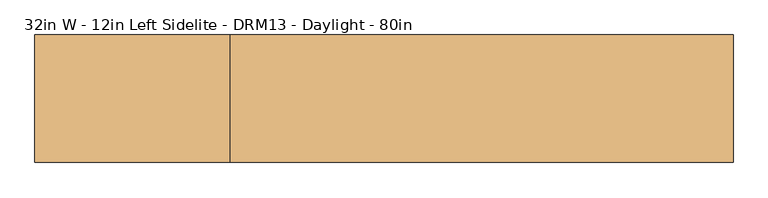
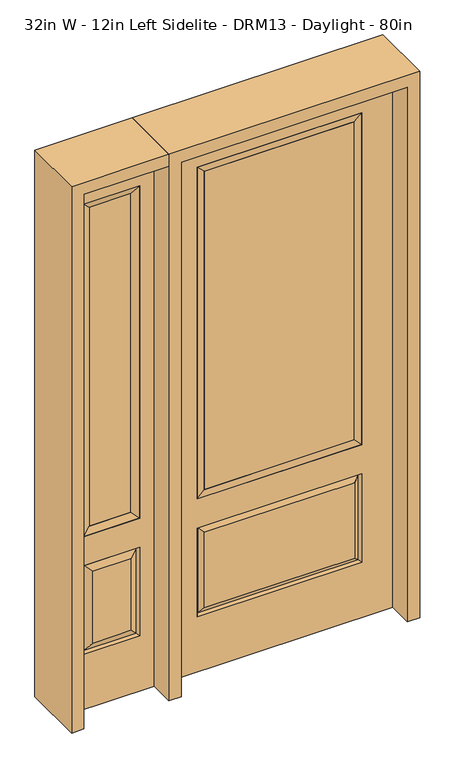
"""IFC4 building model written with IfcOpenShell, lengths in millimetres: door geometry, 32in W - 12in Left Sidelite - DRM13 - Daylight - 80in."""

import ifcopenshell
import ifcopenshell.guid

model = None  # the IFC model being written
_history = None  # IfcOwnerHistory: only IFC2X3 demands one
_inside = {}  # id of a spatial element -> (the spatial element, [elements in it])
_under = {}  # id of a project, library or spatial element -> (it, [spatial elements below it])
_declared = {}  # id of a project -> (the project, [libraries it declares])
_typed = {}  # id of a type object -> (the type object, [elements of that type])
_made_of = {}  # id of a material, layer set ... -> (it, [elements and type objects made of it])


def new_model(schema):
    """Start an empty IFC model of exactly this schema.

    Asked for "IFC4X3", IfcOpenShell would pick the latest addendum, in which some entities
    have other attributes; the version numbers below select the first issue.
    IFC2X3 requires an IfcOwnerHistory on every rooted entity: one is made here for all.
    """
    global model, _history
    if schema == "IFC4X3":
        model = ifcopenshell.file(schema_version=(4, 3, 0, 0))
    else:
        model = ifcopenshell.file(schema=schema)
    _inside.clear()
    _under.clear()
    _declared.clear()
    _typed.clear()
    _made_of.clear()
    _history = None
    if model.schema == "IFC2X3":
        org = make("IfcOrganization", Name="unknown")
        user = make(
            "IfcPersonAndOrganization",
            ThePerson=make("IfcPerson", FamilyName="unknown"),
            TheOrganization=org,
        )
        app = make(
            "IfcApplication",
            ApplicationDeveloper=org,
            Version="unknown",
            ApplicationFullName="unknown",
            ApplicationIdentifier="unknown",
        )
        _history = make(
            "IfcOwnerHistory",
            OwningUser=user,
            OwningApplication=app,
            ChangeAction="ADDED",
            CreationDate=0,
        )
    return model


def make(cls, **values):
    """One entity of the class cls with the attributes given. An attribute that is None is left unset."""
    return model.create_entity(
        cls, **{name: value for name, value in values.items() if value is not None}
    )


def rooted(cls, **values):
    """An entity with a GlobalId (a new one), such as an element, a storey or a relation."""
    return make(cls, GlobalId=ifcopenshell.guid.new(), OwnerHistory=_history, **values)


def si_unit(unit_type, name, prefix=None):
    """IfcSIUnit, for example si_unit("LENGTHUNIT", "METRE", prefix="MILLI")."""
    return make("IfcSIUnit", UnitType=unit_type, Prefix=prefix, Name=name)


def assignment(units):
    """IfcUnitAssignment: the units of a project."""
    return None if units is None else make("IfcUnitAssignment", Units=units)


def point(xyz):
    """IfcCartesianPoint."""
    return None if xyz is None else make("IfcCartesianPoint", Coordinates=xyz)


def direction(xyz):
    """IfcDirection."""
    return None if xyz is None else make("IfcDirection", DirectionRatios=xyz)


def frame(location, z_axis=None, x_axis=None):
    """IfcAxis2Placement3D, a coordinate frame: its origin and axes. An axis left out is left unset."""
    return make(
        "IfcAxis2Placement3D",
        Location=point(location),
        Axis=direction(z_axis),
        RefDirection=direction(x_axis),
    )


def origin():
    """The frame at (0, 0, 0) with its axes left unset."""
    return frame((0.0, 0.0, 0.0))


def place(relative_to, where):
    """IfcLocalPlacement: puts the frame where relative to a parent placement (None: the world)."""
    return make(
        "IfcLocalPlacement", PlacementRelTo=relative_to, RelativePlacement=where
    )


def context(
    kind, dimensions, precision=None, world=None, true_north=None, identifier=None
):
    """IfcGeometricRepresentationContext, for example the 3D "Model" context."""
    return make(
        "IfcGeometricRepresentationContext",
        ContextIdentifier=identifier,
        ContextType=kind,
        CoordinateSpaceDimension=dimensions,
        Precision=precision,
        WorldCoordinateSystem=world,
        TrueNorth=true_north,
    )


def project(units=None, contexts=None):
    """IfcProject with its units and contexts."""
    return rooted(
        "IfcProject",
        Name="project",
        RepresentationContexts=contexts,
        UnitsInContext=assignment(units),
    )


def spatial(cls, under=None, at=None, **own):
    """A site, building, storey or space (cls), placed at a placement, below another one or the project."""
    s = rooted(cls, ObjectPlacement=at, **own)
    if under is not None:
        _under.setdefault(under.id(), (under, []))[1].append(s)
    return s


def polyline(points):
    """IfcPolyline through the points."""
    return make("IfcPolyline", Points=[point(p) for p in points])


def outline(outer, holes=None, kind="AREA"):
    """IfcArbitraryClosedProfileDef: a profile drawn as a closed curve; with holes, ...WithVoids."""
    if holes is None:
        return make("IfcArbitraryClosedProfileDef", ProfileType=kind, OuterCurve=outer)
    return make(
        "IfcArbitraryProfileDefWithVoids",
        ProfileType=kind,
        OuterCurve=outer,
        InnerCurves=holes,
    )


def extrude(swept, where, along, depth):
    """IfcExtrudedAreaSolid: the profile swept, set in the frame where, extruded along a direction by depth."""
    return make(
        "IfcExtrudedAreaSolid",
        SweptArea=swept,
        Position=where,
        ExtrudedDirection=direction(along),
        Depth=depth,
    )


def faces_of(points, faces, orient=None, outer=None):
    """IfcFace entities. A face is a list of loops; a loop is a list of indices into points, from 0.

    orient and outer hold one flag for each loop. By default every Orientation is true, the
    first loop of a face is its IfcFaceOuterBound and the others are IfcFaceBound.
    """
    made = []
    for i, loops in enumerate(faces):
        bounds = []
        for j, loop in enumerate(loops):
            is_outer = j == 0 if outer is None else outer[i][j]
            bounds.append(
                make(
                    "IfcFaceOuterBound" if is_outer else "IfcFaceBound",
                    Bound=make("IfcPolyLoop", Polygon=[points[k] for k in loop]),
                    Orientation=True if orient is None else orient[i][j],
                )
            )
        made.append(make("IfcFace", Bounds=bounds))
    return made


def faceted_brep(points, faces, orient=None, outer=None, voids=None):
    """IfcFacetedBrep: a solid bounded by flat faces; with voids (closed shells), ...WithVoids."""
    shared = [point(p) for p in points]
    hull = make("IfcClosedShell", CfsFaces=faces_of(shared, faces, orient, outer))
    if voids is None:
        return make("IfcFacetedBrep", Outer=hull)
    return make(
        "IfcFacetedBrepWithVoids",
        Outer=hull,
        Voids=[
            make(cls, CfsFaces=faces_of(shared, fs, o, b)) for cls, fs, o, b in voids
        ],
    )


def shape(context_of_items, identifier, shape_type, items):
    """IfcShapeRepresentation: the items that make up one representation, for example the "Body"."""
    return make(
        "IfcShapeRepresentation",
        ContextOfItems=context_of_items,
        RepresentationIdentifier=identifier,
        RepresentationType=shape_type,
        Items=items,
    )


def source(mapping_origin, context_of_items, identifier, shape_type, items):
    """IfcRepresentationMap: a shape defined once, which mapped items show again and again."""
    return make(
        "IfcRepresentationMap",
        MappingOrigin=mapping_origin,
        MappedRepresentation=shape(context_of_items, identifier, shape_type, items),
    )


def transform(
    local_origin,
    x_axis=None,
    y_axis=None,
    z_axis=None,
    scale=None,
    scale2=None,
    scale3=None,
    uniform=True,
):
    """IfcCartesianTransformationOperator3D, or its non-uniform kind. x_axis, y_axis, z_axis: its Axis1, 2, 3."""
    if uniform:
        return make(
            "IfcCartesianTransformationOperator3D",
            Axis1=direction(x_axis),
            Axis2=direction(y_axis),
            LocalOrigin=point(local_origin),
            Scale=scale,
            Axis3=direction(z_axis),
        )
    return make(
        "IfcCartesianTransformationOperator3DnonUniform",
        Axis1=direction(x_axis),
        Axis2=direction(y_axis),
        LocalOrigin=point(local_origin),
        Scale=scale,
        Axis3=direction(z_axis),
        Scale2=scale2,
        Scale3=scale3,
    )


def mapped(mapping_source, mapping_target):
    """IfcMappedItem: shows the shape of a source again, moved by a transform."""
    return make(
        "IfcMappedItem", MappingSource=mapping_source, MappingTarget=mapping_target
    )


def made_of(thing, what):
    """Note that an element or type object is made of a material, layer set ...; save() writes the relation."""
    if what is not None:
        _made_of.setdefault(what.id(), (what, []))[1].append(thing)
    return thing


def element(
    cls,
    number,
    at=None,
    inside=None,
    cuts=None,
    type_object=None,
    material=None,
    context=None,
    identifier="Body",
    shape_type=None,
    held_by="IfcProductDefinitionShape",
    body=None,
    shapes=None,
    **own,
):
    """One element of the class cls, such as IfcWall. Its Tag is "e" and its number.

    at: its placement. inside: the storey or other place that contains it. cuts: it is an
    opening in that element (IfcRelVoidsElement). A single representation is given by context,
    identifier, shape_type and body (its items); several are given by shapes. held_by: the class
    of the entity that holds the representations. save() writes the other relations.
    """
    e = rooted(cls, Tag="e%d" % number, ObjectPlacement=at, **own)
    if body is not None:
        shapes = [shape(context, identifier, shape_type, body)]
    if shapes is not None:
        e.Representation = make(held_by, Representations=shapes)
    if inside is not None:
        _inside.setdefault(inside.id(), (inside, []))[1].append(e)
    if cuts is not None:
        rooted(
            "IfcRelVoidsElement", RelatingBuildingElement=cuts, RelatedOpeningElement=e
        )
    if type_object is not None:
        _typed.setdefault(type_object.id(), (type_object, []))[1].append(e)
    return made_of(e, material)


def aggregate(whole, parts):
    """IfcRelAggregates: a whole, such as a stair, and the parts it consists of."""
    return rooted("IfcRelAggregates", RelatingObject=whole, RelatedObjects=parts)


def save(model, path):
    """Write the relations noted so far, then the file.

    IfcRelAggregates (storeys below a building ...), IfcRelContainedInSpatialStructure (elements
    in a storey), IfcRelDefinesByType, IfcRelAssociatesMaterial and IfcRelDeclares: one each for
    every whole, place, type object, material and project.
    """
    for whole, parts in _under.values():
        aggregate(whole, parts)
    for where, things in _inside.values():
        rooted(
            "IfcRelContainedInSpatialStructure",
            RelatedElements=things,
            RelatingStructure=where,
        )
    for kind, things in _typed.values():
        rooted("IfcRelDefinesByType", RelatedObjects=things, RelatingType=kind)
    for what, things in _made_of.values():
        rooted("IfcRelAssociatesMaterial", RelatedObjects=things, RelatingMaterial=what)
    for by, libraries in _declared.values():
        rooted("IfcRelDeclares", RelatingContext=by, RelatedDefinitions=libraries)
    model.write(path)


def door_32in_w_12in_left_sidelite_drm13_daylight_80in_50660e74(model_context):
    return source(origin(), model_context, "Body", "SolidModel", [
        faceted_brep([(-755.65, -22.225, 0.0), (-450.85, -22.225, 0.0), (-450.85, -22.225, 2032.0), (-755.65, -22.225, 2032.0), (-502.92, -22.225, 1919.224), (-502.92, -22.225, 657.098), (-703.58, -22.225, 657.098), (-703.58, -22.225, 1919.224), (-502.92, -22.225, 209.55), (-703.58, -22.225, 209.55), (-703.58, -22.225, 546.1), (-502.92, -22.225, 546.1), (-671.8648999, -22.225, 241.2651001), (-534.6351001, -22.225, 241.2651001), (-534.6351001, -22.225, 514.3848999), (-671.8648999, -22.225, 514.3848999), (-755.65, 22.225, 0.0), (-755.65, 22.225, 2032.0), (-450.85, 22.225, 2032.0), (-450.85, 22.225, 0.0), (-502.92, 22.225, 1919.224), (-703.58, 22.225, 1919.224), (-703.58, 22.225, 657.098), (-502.92, 22.225, 657.098), (-703.58, 22.225, 209.55), (-502.92, 22.225, 209.55), (-502.92, 22.225, 546.1), (-703.58, 22.225, 546.1), (-534.6351001, 22.225, 241.2651001), (-671.8648999, 22.225, 241.2651001), (-671.8648999, 22.225, 514.3848999), (-534.6351001, 22.225, 514.3848999), (-510.0288501, 12.7912373, 216.6588501), (-696.4711499, 12.7912373, 216.6588501), (-696.4711499, 12.7912373, 538.9911499), (-510.0288501, 12.7912373, 538.9911499), (-696.4711499, -12.7912373, 216.6588501), (-510.0288501, -12.7912373, 216.6588501), (-696.4711499, -12.7912373, 538.9911499), (-510.0288501, -12.7912373, 538.9911499)], [[[0, 1, 2, 3], [4, 5, 6, 7], [8, 9, 10, 11]], [[12, 13, 14, 15]], [[16, 17, 18, 19], [20, 21, 22, 23], [24, 25, 26, 27]], [[28, 29, 30, 31]], [[1, 0, 16, 19]], [[2, 1, 19, 18]], [[3, 2, 18, 17]], [[0, 3, 17, 16]], [[5, 4, 20, 23]], [[6, 5, 23, 22]], [[7, 6, 22, 21]], [[4, 7, 21, 20]], [[32, 33, 29, 28]], [[33, 32, 25, 24]], [[29, 33, 34, 30]], [[33, 24, 27, 34]], [[30, 34, 35, 31]], [[34, 27, 26, 35]], [[32, 28, 31, 35]], [[25, 32, 35, 26]], [[12, 36, 37, 13]], [[37, 36, 9, 8]], [[36, 12, 15, 38]], [[9, 36, 38, 10]], [[38, 15, 14, 39]], [[10, 38, 39, 11]], [[13, 37, 39, 14]], [[37, 8, 11, 39]]]),
        faceted_brep([(-703.58, 22.225, 1919.224), (-703.58, -22.225, 1919.224), (-502.92, -22.225, 1919.224), (-502.92, 22.225, 1919.224), (-678.18, 12.7, 1893.824), (-528.32, 12.7, 1893.824), (-678.18, -12.7, 1893.824), (-528.32, -12.7, 1893.824), (-502.92, -22.225, 657.098), (-502.92, 22.225, 657.098), (-528.32, 12.7, 682.498), (-528.32, -12.7, 682.498), (-703.58, -22.225, 657.098), (-703.58, 22.225, 657.098), (-678.18, 12.7, 682.498), (-678.18, -12.7, 682.498)], [[[0, 1, 2, 3]], [[4, 0, 3, 5]], [[6, 4, 5, 7]], [[1, 6, 7, 2]], [[3, 2, 8, 9]], [[5, 3, 9, 10]], [[7, 5, 10, 11]], [[2, 7, 11, 8]], [[9, 8, 12, 13]], [[10, 9, 13, 14]], [[11, 10, 14, 15]], [[8, 11, 15, 12]], [[13, 12, 1, 0]], [[14, 13, 0, 4]], [[15, 14, 4, 6]], [[12, 15, 6, 1]]]),
        extrude(outline(polyline([(-528.32, -12.7), (-678.18, -12.7), (-678.18, 12.7), (-528.32, 12.7), (-528.32, -12.7)])), frame((0.0, 0.0, 682.498), z_axis=(0.0, 0.0, 1.0), x_axis=(1.0, 0.0, 0.0)), (0.0, 0.0, 1.0), 1211.326),
        faceted_brep([(-288.1661499, -12.7912373, 216.6588501), (288.1661499, -12.7912373, 216.6588501), (270.66875, -22.225, 234.15625), (-270.66875, -22.225, 234.15625), (-295.275, -22.225, 209.55), (295.275, -22.225, 209.55), (-288.1661499, -12.7912373, 538.9911499), (-295.275, -22.225, 546.1), (270.66875, -22.225, 521.49375), (-270.66875, -22.225, 521.49375), (406.4, -22.225, 2032.0), (-406.4, -22.225, 2032.0), (-406.4, -22.225, 0.0), (406.4, -22.225, 0.0), (295.275, -22.225, 546.1), (295.275, -22.225, 1917.7), (295.275, -22.225, 657.098), (-295.275, -22.225, 657.098), (-295.275, -22.225, 1917.7), (288.1661499, -12.7912373, 538.9911499), (-406.4, 22.225, 2032.0), (-406.4, 22.225, 0.0), (406.4, 22.225, 0.0), (406.4, 22.225, 2032.0), (295.275, 22.225, 1917.7), (295.275, 22.225, 657.098), (-295.275, 22.225, 657.098), (-295.275, 22.225, 1917.7), (-295.275, 22.225, 209.55), (295.275, 22.225, 209.55), (295.275, 22.225, 546.1), (-295.275, 22.225, 546.1), (270.66875, 22.225, 234.15625), (-270.66875, 22.225, 234.15625), (-270.66875, 22.225, 521.49375), (270.66875, 22.225, 521.49375), (-288.1661499, 12.7912373, 216.6588501), (288.1661499, 12.7912373, 216.6588501), (288.1661499, 12.7912373, 538.9911499), (-288.1661499, 12.7912373, 538.9911499)], [[[0, 1, 2, 3]], [[1, 0, 4, 5]], [[4, 0, 6, 7]], [[3, 2, 8, 9]], [[10, 11, 12, 13], [5, 4, 7, 14], [15, 16, 17, 18]], [[1, 5, 14, 19]], [[2, 1, 19, 8]], [[0, 3, 9, 6]], [[7, 6, 19, 14]], [[6, 9, 8, 19]], [[12, 11, 20, 21]], [[13, 12, 21, 22]], [[10, 13, 22, 23]], [[16, 15, 24, 25]], [[17, 16, 25, 26]], [[18, 17, 26, 27]], [[23, 22, 21, 20], [28, 29, 30, 31], [24, 27, 26, 25]], [[32, 33, 34, 35]], [[28, 36, 37, 29]], [[29, 37, 38, 30]], [[39, 31, 30, 38]], [[36, 28, 31, 39]], [[37, 36, 33, 32]], [[33, 36, 39, 34]], [[34, 39, 38, 35]], [[37, 32, 35, 38]], [[11, 10, 23, 20]], [[15, 18, 27, 24]]]),
        faceted_brep([(-295.275, -22.225, 1917.7), (-295.275, 22.225, 1917.7), (-295.275, 22.225, 657.098), (-295.275, -22.225, 657.098), (295.275, 22.225, 657.098), (295.275, -22.225, 657.098), (-269.875, 5.08, 682.498), (269.875, 5.08, 682.498), (295.275, 22.225, 1917.7), (295.275, -22.225, 1917.7), (-269.875, -20.32, 682.498), (269.875, -20.32, 682.498), (-269.875, -20.32, 1892.3), (269.875, -20.32, 1892.3), (-269.875, 5.08, 1892.3), (269.875, 5.08, 1892.3)], [[[0, 1, 2, 3]], [[3, 2, 4, 5]], [[2, 6, 7, 4]], [[5, 4, 8, 9]], [[10, 3, 5, 11]], [[12, 0, 3, 10]], [[11, 5, 9, 13]], [[6, 10, 11, 7]], [[14, 12, 10, 6]], [[7, 11, 13, 15]], [[1, 14, 6, 2]], [[4, 7, 15, 8]], [[9, 8, 1, 0]], [[13, 9, 0, 12]], [[15, 13, 12, 14]], [[8, 15, 14, 1]]]),
        extrude(outline(polyline([(269.875, -20.32), (-269.875, -20.32), (-269.875, 5.08), (269.875, 5.08), (269.875, -20.32)])), frame((0.0, 0.0, 682.498), z_axis=(0.0, 0.0, 1.0), x_axis=(1.0, 0.0, 0.0)), (0.0, 0.0, 1.0), 1209.802),
        extrude(outline(polyline([(2032.0, -450.85), (2076.45, -450.85), (2076.45, -800.1), (0.0, -800.1), (0.0, -755.65), (2032.0, -755.65), (2032.0, -450.85)])), frame((0.0, -114.3, 0.0), z_axis=(0.0, 1.0, 0.0), x_axis=(0.0, 0.0, 1.0)), (0.0, 0.0, 1.0), 228.6),
        extrude(outline(polyline([(2076.45, -450.85), (0.0, -450.85), (0.0, -406.4), (2032.0, -406.4), (2032.0, 406.4), (0.0, 406.4), (0.0, 450.85), (2076.45, 450.85), (2076.45, -450.85)])), frame((0.0, -114.3, 0.0), z_axis=(0.0, 1.0, 0.0), x_axis=(0.0, 0.0, 1.0)), (0.0, 0.0, 1.0), 228.6),
    ])


if __name__ == "__main__":
    model = new_model("IFC4")
    model_context = context("Model", 3, world=origin())
    ifc_project = project(units=[si_unit("LENGTHUNIT", "METRE", prefix="MILLI")], contexts=[model_context])
    site = spatial("IfcSite", under=ifc_project)
    building = spatial("IfcBuilding", under=site)
    placement = place(None, origin())
    door_32in_w_12in_left_sidelite_drm13_daylight_80in_shape = door_32in_w_12in_left_sidelite_drm13_daylight_80in_50660e74(model_context)
    element("IfcDoor", 1, ObjectType="32in W - 12in Left Sidelite - DRM13 - Daylight - 80in", at=placement, inside=building, context=model_context, shape_type="MappedRepresentation", body=[
        mapped(door_32in_w_12in_left_sidelite_drm13_daylight_80in_shape, transform((0.0, 0.0, 0.0), x_axis=(1.0, 0.0, 0.0), y_axis=(0.0, 1.0, 0.0), z_axis=(0.0, 0.0, 1.0))),
    ])
    save(model, "model.ifc")
